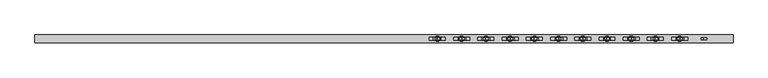
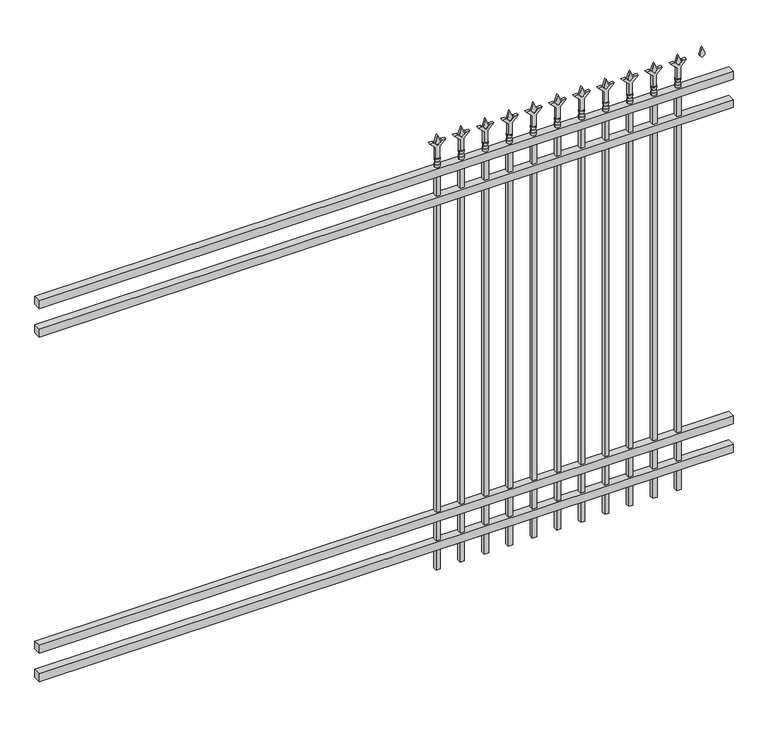
"""IFC4 building model written with IfcOpenShell, lengths in millimetres: railing geometry."""

from ifc_helpers import new_model, si_unit, frame, origin, place, context, project, spatial, polyline, circle_curve, outline, extrude, source, transform, mapped, element, save
from ifc_brep_helpers import plane_surface, cylinder_surface, revolved_surface, advanced_brep


def railing_290e156d(model_context):
    return source(origin(), model_context, "Body", "SolidModel", [
        extrude(outline(polyline([(-61345.318087, -6748.7195174), (-61345.318087, -6713.7945174), (-58195.718087, -6713.7945174), (-58195.718087, -6748.7195174), (-61345.318087, -6748.7195174)])), frame((0.0, 0.0, 1943.1), z_axis=(0.0, 0.0, 1.0), x_axis=(1.0, 0.0, 0.0)), (0.0, 0.0, 1.0), 38.1),
        extrude(outline(polyline([(-61345.318087, -6748.7195174), (-61345.318087, -6713.7945174), (-58195.718087, -6713.7945174), (-58195.718087, -6748.7195174), (-61345.318087, -6748.7195174)])), frame((0.0, 0.0, 1806.575), z_axis=(0.0, 0.0, 1.0), x_axis=(1.0, 0.0, 0.0)), (0.0, 0.0, 1.0), 38.1),
        extrude(outline(polyline([(-61345.318087, -6748.7195174), (-61345.318087, -6713.7945174), (-58195.718087, -6713.7945174), (-58195.718087, -6748.7195174), (-61345.318087, -6748.7195174)])), frame((0.0, 0.0, 288.925), z_axis=(0.0, 0.0, 1.0), x_axis=(1.0, 0.0, 0.0)), (0.0, 0.0, 1.0), 38.1),
        extrude(outline(polyline([(-61345.318087, -6748.7195174), (-61345.318087, -6713.7945174), (-58195.718087, -6713.7945174), (-58195.718087, -6748.7195174), (-61345.318087, -6748.7195174)])), frame((0.0, 0.0, 152.4), z_axis=(0.0, 0.0, 1.0), x_axis=(1.0, 0.0, 0.0)), (0.0, 0.0, 1.0), 38.1),
        extrude(outline(polyline([(2097.88125, -58424.8472536), (2133.6, -58436.7535036), (2097.88125, -58448.6597536), (2085.975, -58436.7535036), (2097.88125, -58424.8472536)])), frame((0.0, -6736.0195174, 0.0), z_axis=(0.0, 1.0, 0.0), x_axis=(0.0, 0.0, 1.0)), (0.0, 0.0, 1.0), 9.525),
        extrude(outline(polyline([(2022.475, -58428.0222536), (2076.7457378, -58428.0222536), (2103.9355122, -58400.8324791), (2103.9355122, -58418.7929914), (2085.975, -58436.7535036), (2103.9355122, -58454.7140159), (2103.9355122, -58472.6745281), (2076.7457378, -58445.4847536), (2022.475, -58445.4847536), (2022.475, -58428.0222536)])), frame((0.0, -6737.6070174, 0.0), z_axis=(0.0, 1.0, 0.0), x_axis=(0.0, 0.0, 1.0)), (0.0, 0.0, 1.0), 12.7),
        advanced_brep(
        [(-58424.8472536, -6731.2570174, 1993.9), (-58448.6597536, -6731.2570174, 1993.9), (-58448.6597536, -6731.2570174, 1981.2), (-58424.8472536, -6731.2570174, 1981.2), (-58427.0525855, -6731.2570174, 2006.4070585), (-58446.4544218, -6731.2570174, 2006.4070585), (-58424.8472536, -6731.2570174, 2022.475), (-58448.6597536, -6731.2570174, 2022.475), (-58436.7535036, -6731.2570174, 2022.475), (-58436.7535036, -6731.2570174, 1981.2)],
        [
            (0, 1, circle_curve(frame((-58436.7535036, -6731.2570174, 1993.9), z_axis=(0.0, 0.0, -1.0), x_axis=(-1.0, 0.0, 0.0)), 11.90625)),
            (1, 2),
            (2, 3, circle_curve(frame((-58436.7535036, -6731.2570174, 1981.2), z_axis=(0.0, 0.0, 1.0), x_axis=(-1.0, 0.0, 0.0)), 11.90625)),
            (3, 0),
            (1, 0, circle_curve(frame((-58436.7535036, -6731.2570174, 1993.9), z_axis=(0.0, 0.0, -1.0), x_axis=(-1.0, 0.0, 0.0)), 11.90625)),
            (3, 2, circle_curve(frame((-58436.7535036, -6731.2570174, 1981.2), z_axis=(0.0, 0.0, 1.0), x_axis=(-1.0, 0.0, 0.0)), 11.90625)),
            (4, 5, circle_curve(frame((-58436.7535036, -6731.2570174, 2006.4070585), z_axis=(0.0, 0.0, -1.0), x_axis=(-1.0, 0.0, 0.0)), 9.7009181)),
            (5, 1),
            (0, 4),
            (5, 4, circle_curve(frame((-58436.7535036, -6731.2570174, 2006.4070585), z_axis=(0.0, 0.0, -1.0), x_axis=(-1.0, 0.0, 0.0)), 9.7009181)),
            (6, 7, circle_curve(frame((-58436.7535036, -6731.2570174, 2022.475), z_axis=(0.0, 0.0, -1.0), x_axis=(-1.0, 0.0, 0.0)), 11.90625)),
            (7, 5),
            (4, 6),
            (7, 6, circle_curve(frame((-58436.7535036, -6731.2570174, 2022.475), z_axis=(0.0, 0.0, -1.0), x_axis=(-1.0, 0.0, 0.0)), 11.90625)),
            (8, 7),
            (6, 8),
            (2, 9),
            (9, 3),
        ],
        [
            cylinder_surface(frame((-58436.7535036, -6731.2570174, 1981.2), z_axis=(0.0, 0.0, 1.0), x_axis=(-1.0, 0.0, 0.0)), 11.90625),
            revolved_surface(polyline([(-58448.6597536, -6731.2570174, 1993.9), (-58446.4544218, -6731.2570174, 2006.4070585)]), (-58436.7535036, -6731.2570174, 1981.2), (0.0, 0.0, 1.0)),
            revolved_surface(polyline([(-58446.4544218, -6731.2570174, 2006.4070585), (-58448.6597536, -6731.2570174, 2022.475)]), (-58436.7535036, -6731.2570174, 1981.2), (0.0, 0.0, 1.0)),
            plane_surface(frame((-58436.7535036, -6731.2570174, 2022.475), z_axis=(0.0, 0.0, 1.0), x_axis=(-1.0, 0.0, 0.0))),
            plane_surface(frame((-58436.7535036, -6731.2570174, 1981.2), z_axis=(0.0, 0.0, -1.0), x_axis=(-1.0, 0.0, 0.0))),
        ],
        [
            (0, [[1, 2, 3, 4]]),
            (0, [[5, -4, 6, -2]]),
            (1, [[7, 8, -1, 9]]),
            (1, [[10, -9, -5, -8]]),
            (2, [[11, 12, -7, 13]]),
            (2, [[14, -13, -10, -12]]),
            (3, [[15, -11, 16]]),
            (3, [[-16, -14, -15]]),
            (4, [[-3, 17, 18]]),
            (4, [[-6, -18, -17]]),
        ],
    ),
        extrude(outline(polyline([(-58446.2785036, -6721.7320174), (-58427.2285036, -6721.7320174), (-58427.2285036, -6740.7820174), (-58446.2785036, -6740.7820174), (-58446.2785036, -6721.7320174)])), frame((0.0, 0.0, 50.8), z_axis=(0.0, 0.0, 1.0), x_axis=(1.0, 0.0, 0.0)), (0.0, 0.0, 1.0), 1930.4),
        extrude(outline(polyline([(2097.88125, -58534.1201703), (2133.6, -58546.0264203), (2097.88125, -58557.9326703), (2085.975, -58546.0264203), (2097.88125, -58534.1201703)])), frame((0.0, -6736.0195174, 0.0), z_axis=(0.0, 1.0, 0.0), x_axis=(0.0, 0.0, 1.0)), (0.0, 0.0, 1.0), 9.525),
        extrude(outline(polyline([(2022.475, -58537.2951703), (2076.7457378, -58537.2951703), (2103.9355122, -58510.1053958), (2103.9355122, -58528.0659081), (2085.975, -58546.0264203), (2103.9355122, -58563.9869325), (2103.9355122, -58581.9474448), (2076.7457378, -58554.7576703), (2022.475, -58554.7576703), (2022.475, -58537.2951703)])), frame((0.0, -6737.6070174, 0.0), z_axis=(0.0, 1.0, 0.0), x_axis=(0.0, 0.0, 1.0)), (0.0, 0.0, 1.0), 12.7),
        advanced_brep(
        [(-58534.1201703, -6731.2570174, 1993.9), (-58557.9326703, -6731.2570174, 1993.9), (-58557.9326703, -6731.2570174, 1981.2), (-58534.1201703, -6731.2570174, 1981.2), (-58536.3255022, -6731.2570174, 2006.4070585), (-58555.7273384, -6731.2570174, 2006.4070585), (-58534.1201703, -6731.2570174, 2022.475), (-58557.9326703, -6731.2570174, 2022.475), (-58546.0264203, -6731.2570174, 2022.475), (-58546.0264203, -6731.2570174, 1981.2)],
        [
            (0, 1, circle_curve(frame((-58546.0264203, -6731.2570174, 1993.9), z_axis=(0.0, 0.0, -1.0), x_axis=(-1.0, 0.0, 0.0)), 11.90625)),
            (1, 2),
            (2, 3, circle_curve(frame((-58546.0264203, -6731.2570174, 1981.2), z_axis=(0.0, 0.0, 1.0), x_axis=(-1.0, 0.0, 0.0)), 11.90625)),
            (3, 0),
            (1, 0, circle_curve(frame((-58546.0264203, -6731.2570174, 1993.9), z_axis=(0.0, 0.0, -1.0), x_axis=(-1.0, 0.0, 0.0)), 11.90625)),
            (3, 2, circle_curve(frame((-58546.0264203, -6731.2570174, 1981.2), z_axis=(0.0, 0.0, 1.0), x_axis=(-1.0, 0.0, 0.0)), 11.90625)),
            (4, 5, circle_curve(frame((-58546.0264203, -6731.2570174, 2006.4070585), z_axis=(0.0, 0.0, -1.0), x_axis=(-1.0, 0.0, 0.0)), 9.7009181)),
            (5, 1),
            (0, 4),
            (5, 4, circle_curve(frame((-58546.0264203, -6731.2570174, 2006.4070585), z_axis=(0.0, 0.0, -1.0), x_axis=(-1.0, 0.0, 0.0)), 9.7009181)),
            (6, 7, circle_curve(frame((-58546.0264203, -6731.2570174, 2022.475), z_axis=(0.0, 0.0, -1.0), x_axis=(-1.0, 0.0, 0.0)), 11.90625)),
            (7, 5),
            (4, 6),
            (7, 6, circle_curve(frame((-58546.0264203, -6731.2570174, 2022.475), z_axis=(0.0, 0.0, -1.0), x_axis=(-1.0, 0.0, 0.0)), 11.90625)),
            (8, 7),
            (6, 8),
            (2, 9),
            (9, 3),
        ],
        [
            cylinder_surface(frame((-58546.0264203, -6731.2570174, 1981.2), z_axis=(0.0, 0.0, 1.0), x_axis=(-1.0, 0.0, 0.0)), 11.90625),
            revolved_surface(polyline([(-58557.9326703, -6731.2570174, 1993.9), (-58555.7273384, -6731.2570174, 2006.4070585)]), (-58546.0264203, -6731.2570174, 1981.2), (0.0, 0.0, 1.0)),
            revolved_surface(polyline([(-58555.7273384, -6731.2570174, 2006.4070585), (-58557.9326703, -6731.2570174, 2022.475)]), (-58546.0264203, -6731.2570174, 1981.2), (0.0, 0.0, 1.0)),
            plane_surface(frame((-58546.0264203, -6731.2570174, 2022.475), z_axis=(0.0, 0.0, 1.0), x_axis=(-1.0, 0.0, 0.0))),
            plane_surface(frame((-58546.0264203, -6731.2570174, 1981.2), z_axis=(0.0, 0.0, -1.0), x_axis=(-1.0, 0.0, 0.0))),
        ],
        [
            (0, [[1, 2, 3, 4]]),
            (0, [[5, -4, 6, -2]]),
            (1, [[7, 8, -1, 9]]),
            (1, [[10, -9, -5, -8]]),
            (2, [[11, 12, -7, 13]]),
            (2, [[14, -13, -10, -12]]),
            (3, [[15, -11, 16]]),
            (3, [[-16, -14, -15]]),
            (4, [[-3, 17, 18]]),
            (4, [[-6, -18, -17]]),
        ],
    ),
        extrude(outline(polyline([(-58555.5514203, -6721.7320174), (-58536.5014203, -6721.7320174), (-58536.5014203, -6740.7820174), (-58555.5514203, -6740.7820174), (-58555.5514203, -6721.7320174)])), frame((0.0, 0.0, 50.8), z_axis=(0.0, 0.0, 1.0), x_axis=(1.0, 0.0, 0.0)), (0.0, 0.0, 1.0), 1930.4),
        extrude(outline(polyline([(2097.88125, -58643.393087), (2133.6, -58655.299337), (2097.88125, -58667.205587), (2085.975, -58655.299337), (2097.88125, -58643.393087)])), frame((0.0, -6736.0195174, 0.0), z_axis=(0.0, 1.0, 0.0), x_axis=(0.0, 0.0, 1.0)), (0.0, 0.0, 1.0), 9.525),
        extrude(outline(polyline([(2022.475, -58646.568087), (2076.7457378, -58646.568087), (2103.9355122, -58619.3783125), (2103.9355122, -58637.3388247), (2085.975, -58655.299337), (2103.9355122, -58673.2598492), (2103.9355122, -58691.2203614), (2076.7457378, -58664.030587), (2022.475, -58664.030587), (2022.475, -58646.568087)])), frame((0.0, -6737.6070174, 0.0), z_axis=(0.0, 1.0, 0.0), x_axis=(0.0, 0.0, 1.0)), (0.0, 0.0, 1.0), 12.7),
        advanced_brep(
        [(-58643.393087, -6731.2570174, 1993.9), (-58667.205587, -6731.2570174, 1993.9), (-58667.205587, -6731.2570174, 1981.2), (-58643.393087, -6731.2570174, 1981.2), (-58645.5984188, -6731.2570174, 2006.4070585), (-58665.0002551, -6731.2570174, 2006.4070585), (-58643.393087, -6731.2570174, 2022.475), (-58667.205587, -6731.2570174, 2022.475), (-58655.299337, -6731.2570174, 2022.475), (-58655.299337, -6731.2570174, 1981.2)],
        [
            (0, 1, circle_curve(frame((-58655.299337, -6731.2570174, 1993.9), z_axis=(0.0, 0.0, -1.0), x_axis=(-1.0, 0.0, 0.0)), 11.90625)),
            (1, 2),
            (2, 3, circle_curve(frame((-58655.299337, -6731.2570174, 1981.2), z_axis=(0.0, 0.0, 1.0), x_axis=(-1.0, 0.0, 0.0)), 11.90625)),
            (3, 0),
            (1, 0, circle_curve(frame((-58655.299337, -6731.2570174, 1993.9), z_axis=(0.0, 0.0, -1.0), x_axis=(-1.0, 0.0, 0.0)), 11.90625)),
            (3, 2, circle_curve(frame((-58655.299337, -6731.2570174, 1981.2), z_axis=(0.0, 0.0, 1.0), x_axis=(-1.0, 0.0, 0.0)), 11.90625)),
            (4, 5, circle_curve(frame((-58655.299337, -6731.2570174, 2006.4070585), z_axis=(0.0, 0.0, -1.0), x_axis=(-1.0, 0.0, 0.0)), 9.7009181)),
            (5, 1),
            (0, 4),
            (5, 4, circle_curve(frame((-58655.299337, -6731.2570174, 2006.4070585), z_axis=(0.0, 0.0, -1.0), x_axis=(-1.0, 0.0, 0.0)), 9.7009181)),
            (6, 7, circle_curve(frame((-58655.299337, -6731.2570174, 2022.475), z_axis=(0.0, 0.0, -1.0), x_axis=(-1.0, 0.0, 0.0)), 11.90625)),
            (7, 5),
            (4, 6),
            (7, 6, circle_curve(frame((-58655.299337, -6731.2570174, 2022.475), z_axis=(0.0, 0.0, -1.0), x_axis=(-1.0, 0.0, 0.0)), 11.90625)),
            (8, 7),
            (6, 8),
            (2, 9),
            (9, 3),
        ],
        [
            cylinder_surface(frame((-58655.299337, -6731.2570174, 1981.2), z_axis=(0.0, 0.0, 1.0), x_axis=(-1.0, 0.0, 0.0)), 11.90625),
            revolved_surface(polyline([(-58667.205587, -6731.2570174, 1993.9), (-58665.0002551, -6731.2570174, 2006.4070585)]), (-58655.299337, -6731.2570174, 1981.2), (0.0, 0.0, 1.0)),
            revolved_surface(polyline([(-58665.0002551, -6731.2570174, 2006.4070585), (-58667.205587, -6731.2570174, 2022.475)]), (-58655.299337, -6731.2570174, 1981.2), (0.0, 0.0, 1.0)),
            plane_surface(frame((-58655.299337, -6731.2570174, 2022.475), z_axis=(0.0, 0.0, 1.0), x_axis=(-1.0, 0.0, 0.0))),
            plane_surface(frame((-58655.299337, -6731.2570174, 1981.2), z_axis=(0.0, 0.0, -1.0), x_axis=(-1.0, 0.0, 0.0))),
        ],
        [
            (0, [[1, 2, 3, 4]]),
            (0, [[5, -4, 6, -2]]),
            (1, [[7, 8, -1, 9]]),
            (1, [[10, -9, -5, -8]]),
            (2, [[11, 12, -7, 13]]),
            (2, [[14, -13, -10, -12]]),
            (3, [[15, -11, 16]]),
            (3, [[-16, -14, -15]]),
            (4, [[-3, 17, 18]]),
            (4, [[-6, -18, -17]]),
        ],
    ),
        extrude(outline(polyline([(-58664.824337, -6721.7320174), (-58645.774337, -6721.7320174), (-58645.774337, -6740.7820174), (-58664.824337, -6740.7820174), (-58664.824337, -6721.7320174)])), frame((0.0, 0.0, 50.8), z_axis=(0.0, 0.0, 1.0), x_axis=(1.0, 0.0, 0.0)), (0.0, 0.0, 1.0), 1930.4),
        extrude(outline(polyline([(2097.88125, -58752.6660036), (2133.6, -58764.5722536), (2097.88125, -58776.4785036), (2085.975, -58764.5722536), (2097.88125, -58752.6660036)])), frame((0.0, -6736.0195174, 0.0), z_axis=(0.0, 1.0, 0.0), x_axis=(0.0, 0.0, 1.0)), (0.0, 0.0, 1.0), 9.525),
        extrude(outline(polyline([(2022.475, -58755.8410036), (2076.7457378, -58755.8410036), (2103.9355122, -58728.6512291), (2103.9355122, -58746.6117414), (2085.975, -58764.5722536), (2103.9355122, -58782.5327659), (2103.9355122, -58800.4932781), (2076.7457378, -58773.3035036), (2022.475, -58773.3035036), (2022.475, -58755.8410036)])), frame((0.0, -6737.6070174, 0.0), z_axis=(0.0, 1.0, 0.0), x_axis=(0.0, 0.0, 1.0)), (0.0, 0.0, 1.0), 12.7),
        advanced_brep(
        [(-58752.6660036, -6731.2570174, 1993.9), (-58776.4785036, -6731.2570174, 1993.9), (-58776.4785036, -6731.2570174, 1981.2), (-58752.6660036, -6731.2570174, 1981.2), (-58754.8713355, -6731.2570174, 2006.4070585), (-58774.2731718, -6731.2570174, 2006.4070585), (-58752.6660036, -6731.2570174, 2022.475), (-58776.4785036, -6731.2570174, 2022.475), (-58764.5722536, -6731.2570174, 2022.475), (-58764.5722536, -6731.2570174, 1981.2)],
        [
            (0, 1, circle_curve(frame((-58764.5722536, -6731.2570174, 1993.9), z_axis=(0.0, 0.0, -1.0), x_axis=(-1.0, 0.0, 0.0)), 11.90625)),
            (1, 2),
            (2, 3, circle_curve(frame((-58764.5722536, -6731.2570174, 1981.2), z_axis=(0.0, 0.0, 1.0), x_axis=(-1.0, 0.0, 0.0)), 11.90625)),
            (3, 0),
            (1, 0, circle_curve(frame((-58764.5722536, -6731.2570174, 1993.9), z_axis=(0.0, 0.0, -1.0), x_axis=(-1.0, 0.0, 0.0)), 11.90625)),
            (3, 2, circle_curve(frame((-58764.5722536, -6731.2570174, 1981.2), z_axis=(0.0, 0.0, 1.0), x_axis=(-1.0, 0.0, 0.0)), 11.90625)),
            (4, 5, circle_curve(frame((-58764.5722536, -6731.2570174, 2006.4070585), z_axis=(0.0, 0.0, -1.0), x_axis=(-1.0, 0.0, 0.0)), 9.7009181)),
            (5, 1),
            (0, 4),
            (5, 4, circle_curve(frame((-58764.5722536, -6731.2570174, 2006.4070585), z_axis=(0.0, 0.0, -1.0), x_axis=(-1.0, 0.0, 0.0)), 9.7009181)),
            (6, 7, circle_curve(frame((-58764.5722536, -6731.2570174, 2022.475), z_axis=(0.0, 0.0, -1.0), x_axis=(-1.0, 0.0, 0.0)), 11.90625)),
            (7, 5),
            (4, 6),
            (7, 6, circle_curve(frame((-58764.5722536, -6731.2570174, 2022.475), z_axis=(0.0, 0.0, -1.0), x_axis=(-1.0, 0.0, 0.0)), 11.90625)),
            (8, 7),
            (6, 8),
            (2, 9),
            (9, 3),
        ],
        [
            cylinder_surface(frame((-58764.5722536, -6731.2570174, 1981.2), z_axis=(0.0, 0.0, 1.0), x_axis=(-1.0, 0.0, 0.0)), 11.90625),
            revolved_surface(polyline([(-58776.4785036, -6731.2570174, 1993.9), (-58774.2731718, -6731.2570174, 2006.4070585)]), (-58764.5722536, -6731.2570174, 1981.2), (0.0, 0.0, 1.0)),
            revolved_surface(polyline([(-58774.2731718, -6731.2570174, 2006.4070585), (-58776.4785036, -6731.2570174, 2022.475)]), (-58764.5722536, -6731.2570174, 1981.2), (0.0, 0.0, 1.0)),
            plane_surface(frame((-58764.5722536, -6731.2570174, 2022.475), z_axis=(0.0, 0.0, 1.0), x_axis=(-1.0, 0.0, 0.0))),
            plane_surface(frame((-58764.5722536, -6731.2570174, 1981.2), z_axis=(0.0, 0.0, -1.0), x_axis=(-1.0, 0.0, 0.0))),
        ],
        [
            (0, [[1, 2, 3, 4]]),
            (0, [[5, -4, 6, -2]]),
            (1, [[7, 8, -1, 9]]),
            (1, [[10, -9, -5, -8]]),
            (2, [[11, 12, -7, 13]]),
            (2, [[14, -13, -10, -12]]),
            (3, [[15, -11, 16]]),
            (3, [[-16, -14, -15]]),
            (4, [[-3, 17, 18]]),
            (4, [[-6, -18, -17]]),
        ],
    ),
        extrude(outline(polyline([(-58774.0972536, -6721.7320174), (-58755.0472536, -6721.7320174), (-58755.0472536, -6740.7820174), (-58774.0972536, -6740.7820174), (-58774.0972536, -6721.7320174)])), frame((0.0, 0.0, 50.8), z_axis=(0.0, 0.0, 1.0), x_axis=(1.0, 0.0, 0.0)), (0.0, 0.0, 1.0), 1930.4),
        extrude(outline(polyline([(2097.88125, -58861.9389203), (2133.6, -58873.8451703), (2097.88125, -58885.7514203), (2085.975, -58873.8451703), (2097.88125, -58861.9389203)])), frame((0.0, -6736.0195174, 0.0), z_axis=(0.0, 1.0, 0.0), x_axis=(0.0, 0.0, 1.0)), (0.0, 0.0, 1.0), 9.525),
        extrude(outline(polyline([(2022.475, -58865.1139203), (2076.7457378, -58865.1139203), (2103.9355122, -58837.9241458), (2103.9355122, -58855.8846581), (2085.975, -58873.8451703), (2103.9355122, -58891.8056825), (2103.9355122, -58909.7661948), (2076.7457378, -58882.5764203), (2022.475, -58882.5764203), (2022.475, -58865.1139203)])), frame((0.0, -6737.6070174, 0.0), z_axis=(0.0, 1.0, 0.0), x_axis=(0.0, 0.0, 1.0)), (0.0, 0.0, 1.0), 12.7),
        advanced_brep(
        [(-58861.9389203, -6731.2570174, 1993.9), (-58885.7514203, -6731.2570174, 1993.9), (-58885.7514203, -6731.2570174, 1981.2), (-58861.9389203, -6731.2570174, 1981.2), (-58864.1442522, -6731.2570174, 2006.4070585), (-58883.5460884, -6731.2570174, 2006.4070585), (-58861.9389203, -6731.2570174, 2022.475), (-58885.7514203, -6731.2570174, 2022.475), (-58873.8451703, -6731.2570174, 2022.475), (-58873.8451703, -6731.2570174, 1981.2)],
        [
            (0, 1, circle_curve(frame((-58873.8451703, -6731.2570174, 1993.9), z_axis=(0.0, 0.0, -1.0), x_axis=(-1.0, 0.0, 0.0)), 11.90625)),
            (1, 2),
            (2, 3, circle_curve(frame((-58873.8451703, -6731.2570174, 1981.2), z_axis=(0.0, 0.0, 1.0), x_axis=(-1.0, 0.0, 0.0)), 11.90625)),
            (3, 0),
            (1, 0, circle_curve(frame((-58873.8451703, -6731.2570174, 1993.9), z_axis=(0.0, 0.0, -1.0), x_axis=(-1.0, 0.0, 0.0)), 11.90625)),
            (3, 2, circle_curve(frame((-58873.8451703, -6731.2570174, 1981.2), z_axis=(0.0, 0.0, 1.0), x_axis=(-1.0, 0.0, 0.0)), 11.90625)),
            (4, 5, circle_curve(frame((-58873.8451703, -6731.2570174, 2006.4070585), z_axis=(0.0, 0.0, -1.0), x_axis=(-1.0, 0.0, 0.0)), 9.7009181)),
            (5, 1),
            (0, 4),
            (5, 4, circle_curve(frame((-58873.8451703, -6731.2570174, 2006.4070585), z_axis=(0.0, 0.0, -1.0), x_axis=(-1.0, 0.0, 0.0)), 9.7009181)),
            (6, 7, circle_curve(frame((-58873.8451703, -6731.2570174, 2022.475), z_axis=(0.0, 0.0, -1.0), x_axis=(-1.0, 0.0, 0.0)), 11.90625)),
            (7, 5),
            (4, 6),
            (7, 6, circle_curve(frame((-58873.8451703, -6731.2570174, 2022.475), z_axis=(0.0, 0.0, -1.0), x_axis=(-1.0, 0.0, 0.0)), 11.90625)),
            (8, 7),
            (6, 8),
            (2, 9),
            (9, 3),
        ],
        [
            cylinder_surface(frame((-58873.8451703, -6731.2570174, 1981.2), z_axis=(0.0, 0.0, 1.0), x_axis=(-1.0, 0.0, 0.0)), 11.90625),
            revolved_surface(polyline([(-58885.7514203, -6731.2570174, 1993.9), (-58883.5460884, -6731.2570174, 2006.4070585)]), (-58873.8451703, -6731.2570174, 1981.2), (0.0, 0.0, 1.0)),
            revolved_surface(polyline([(-58883.5460884, -6731.2570174, 2006.4070585), (-58885.7514203, -6731.2570174, 2022.475)]), (-58873.8451703, -6731.2570174, 1981.2), (0.0, 0.0, 1.0)),
            plane_surface(frame((-58873.8451703, -6731.2570174, 2022.475), z_axis=(0.0, 0.0, 1.0), x_axis=(-1.0, 0.0, 0.0))),
            plane_surface(frame((-58873.8451703, -6731.2570174, 1981.2), z_axis=(0.0, 0.0, -1.0), x_axis=(-1.0, 0.0, 0.0))),
        ],
        [
            (0, [[1, 2, 3, 4]]),
            (0, [[5, -4, 6, -2]]),
            (1, [[7, 8, -1, 9]]),
            (1, [[10, -9, -5, -8]]),
            (2, [[11, 12, -7, 13]]),
            (2, [[14, -13, -10, -12]]),
            (3, [[15, -11, 16]]),
            (3, [[-16, -14, -15]]),
            (4, [[-3, 17, 18]]),
            (4, [[-6, -18, -17]]),
        ],
    ),
        extrude(outline(polyline([(-58883.3701703, -6721.7320174), (-58864.3201703, -6721.7320174), (-58864.3201703, -6740.7820174), (-58883.3701703, -6740.7820174), (-58883.3701703, -6721.7320174)])), frame((0.0, 0.0, 50.8), z_axis=(0.0, 0.0, 1.0), x_axis=(1.0, 0.0, 0.0)), (0.0, 0.0, 1.0), 1930.4),
        extrude(outline(polyline([(2097.88125, -58971.211837), (2133.6, -58983.118087), (2097.88125, -58995.024337), (2085.975, -58983.118087), (2097.88125, -58971.211837)])), frame((0.0, -6736.0195174, 0.0), z_axis=(0.0, 1.0, 0.0), x_axis=(0.0, 0.0, 1.0)), (0.0, 0.0, 1.0), 9.525),
        extrude(outline(polyline([(2022.475, -58974.386837), (2076.7457378, -58974.386837), (2103.9355122, -58947.1970625), (2103.9355122, -58965.1575747), (2085.975, -58983.118087), (2103.9355122, -59001.0785992), (2103.9355122, -59019.0391114), (2076.7457378, -58991.849337), (2022.475, -58991.849337), (2022.475, -58974.386837)])), frame((0.0, -6737.6070174, 0.0), z_axis=(0.0, 1.0, 0.0), x_axis=(0.0, 0.0, 1.0)), (0.0, 0.0, 1.0), 12.7),
        advanced_brep(
        [(-58971.211837, -6731.2570174, 1993.9), (-58995.024337, -6731.2570174, 1993.9), (-58995.024337, -6731.2570174, 1981.2), (-58971.211837, -6731.2570174, 1981.2), (-58973.4171688, -6731.2570174, 2006.4070585), (-58992.8190051, -6731.2570174, 2006.4070585), (-58971.211837, -6731.2570174, 2022.475), (-58995.024337, -6731.2570174, 2022.475), (-58983.118087, -6731.2570174, 2022.475), (-58983.118087, -6731.2570174, 1981.2)],
        [
            (0, 1, circle_curve(frame((-58983.118087, -6731.2570174, 1993.9), z_axis=(0.0, 0.0, -1.0), x_axis=(-1.0, 0.0, 0.0)), 11.90625)),
            (1, 2),
            (2, 3, circle_curve(frame((-58983.118087, -6731.2570174, 1981.2), z_axis=(0.0, 0.0, 1.0), x_axis=(-1.0, 0.0, 0.0)), 11.90625)),
            (3, 0),
            (1, 0, circle_curve(frame((-58983.118087, -6731.2570174, 1993.9), z_axis=(0.0, 0.0, -1.0), x_axis=(-1.0, 0.0, 0.0)), 11.90625)),
            (3, 2, circle_curve(frame((-58983.118087, -6731.2570174, 1981.2), z_axis=(0.0, 0.0, 1.0), x_axis=(-1.0, 0.0, 0.0)), 11.90625)),
            (4, 5, circle_curve(frame((-58983.118087, -6731.2570174, 2006.4070585), z_axis=(0.0, 0.0, -1.0), x_axis=(-1.0, 0.0, 0.0)), 9.7009181)),
            (5, 1),
            (0, 4),
            (5, 4, circle_curve(frame((-58983.118087, -6731.2570174, 2006.4070585), z_axis=(0.0, 0.0, -1.0), x_axis=(-1.0, 0.0, 0.0)), 9.7009181)),
            (6, 7, circle_curve(frame((-58983.118087, -6731.2570174, 2022.475), z_axis=(0.0, 0.0, -1.0), x_axis=(-1.0, 0.0, 0.0)), 11.90625)),
            (7, 5),
            (4, 6),
            (7, 6, circle_curve(frame((-58983.118087, -6731.2570174, 2022.475), z_axis=(0.0, 0.0, -1.0), x_axis=(-1.0, 0.0, 0.0)), 11.90625)),
            (8, 7),
            (6, 8),
            (2, 9),
            (9, 3),
        ],
        [
            cylinder_surface(frame((-58983.118087, -6731.2570174, 1981.2), z_axis=(0.0, 0.0, 1.0), x_axis=(-1.0, 0.0, 0.0)), 11.90625),
            revolved_surface(polyline([(-58995.024337, -6731.2570174, 1993.9), (-58992.8190051, -6731.2570174, 2006.4070585)]), (-58983.118087, -6731.2570174, 1981.2), (0.0, 0.0, 1.0)),
            revolved_surface(polyline([(-58992.8190051, -6731.2570174, 2006.4070585), (-58995.024337, -6731.2570174, 2022.475)]), (-58983.118087, -6731.2570174, 1981.2), (0.0, 0.0, 1.0)),
            plane_surface(frame((-58983.118087, -6731.2570174, 2022.475), z_axis=(0.0, 0.0, 1.0), x_axis=(-1.0, 0.0, 0.0))),
            plane_surface(frame((-58983.118087, -6731.2570174, 1981.2), z_axis=(0.0, 0.0, -1.0), x_axis=(-1.0, 0.0, 0.0))),
        ],
        [
            (0, [[1, 2, 3, 4]]),
            (0, [[5, -4, 6, -2]]),
            (1, [[7, 8, -1, 9]]),
            (1, [[10, -9, -5, -8]]),
            (2, [[11, 12, -7, 13]]),
            (2, [[14, -13, -10, -12]]),
            (3, [[15, -11, 16]]),
            (3, [[-16, -14, -15]]),
            (4, [[-3, 17, 18]]),
            (4, [[-6, -18, -17]]),
        ],
    ),
        extrude(outline(polyline([(-58992.643087, -6721.7320174), (-58973.593087, -6721.7320174), (-58973.593087, -6740.7820174), (-58992.643087, -6740.7820174), (-58992.643087, -6721.7320174)])), frame((0.0, 0.0, 50.8), z_axis=(0.0, 0.0, 1.0), x_axis=(1.0, 0.0, 0.0)), (0.0, 0.0, 1.0), 1930.4),
        extrude(outline(polyline([(2097.88125, -59080.4847536), (2133.6, -59092.3910036), (2097.88125, -59104.2972536), (2085.975, -59092.3910036), (2097.88125, -59080.4847536)])), frame((0.0, -6736.0195174, 0.0), z_axis=(0.0, 1.0, 0.0), x_axis=(0.0, 0.0, 1.0)), (0.0, 0.0, 1.0), 9.525),
        extrude(outline(polyline([(2022.475, -59083.6597536), (2076.7457378, -59083.6597536), (2103.9355122, -59056.4699791), (2103.9355122, -59074.4304914), (2085.975, -59092.3910036), (2103.9355122, -59110.3515159), (2103.9355122, -59128.3120281), (2076.7457378, -59101.1222536), (2022.475, -59101.1222536), (2022.475, -59083.6597536)])), frame((0.0, -6737.6070174, 0.0), z_axis=(0.0, 1.0, 0.0), x_axis=(0.0, 0.0, 1.0)), (0.0, 0.0, 1.0), 12.7),
        advanced_brep(
        [(-59080.4847536, -6731.2570174, 1993.9), (-59104.2972536, -6731.2570174, 1993.9), (-59104.2972536, -6731.2570174, 1981.2), (-59080.4847536, -6731.2570174, 1981.2), (-59082.6900855, -6731.2570174, 2006.4070585), (-59102.0919218, -6731.2570174, 2006.4070585), (-59080.4847536, -6731.2570174, 2022.475), (-59104.2972536, -6731.2570174, 2022.475), (-59092.3910036, -6731.2570174, 2022.475), (-59092.3910036, -6731.2570174, 1981.2)],
        [
            (0, 1, circle_curve(frame((-59092.3910036, -6731.2570174, 1993.9), z_axis=(0.0, 0.0, -1.0), x_axis=(-1.0, 0.0, 0.0)), 11.90625)),
            (1, 2),
            (2, 3, circle_curve(frame((-59092.3910036, -6731.2570174, 1981.2), z_axis=(0.0, 0.0, 1.0), x_axis=(-1.0, 0.0, 0.0)), 11.90625)),
            (3, 0),
            (1, 0, circle_curve(frame((-59092.3910036, -6731.2570174, 1993.9), z_axis=(0.0, 0.0, -1.0), x_axis=(-1.0, 0.0, 0.0)), 11.90625)),
            (3, 2, circle_curve(frame((-59092.3910036, -6731.2570174, 1981.2), z_axis=(0.0, 0.0, 1.0), x_axis=(-1.0, 0.0, 0.0)), 11.90625)),
            (4, 5, circle_curve(frame((-59092.3910036, -6731.2570174, 2006.4070585), z_axis=(0.0, 0.0, -1.0), x_axis=(-1.0, 0.0, 0.0)), 9.7009181)),
            (5, 1),
            (0, 4),
            (5, 4, circle_curve(frame((-59092.3910036, -6731.2570174, 2006.4070585), z_axis=(0.0, 0.0, -1.0), x_axis=(-1.0, 0.0, 0.0)), 9.7009181)),
            (6, 7, circle_curve(frame((-59092.3910036, -6731.2570174, 2022.475), z_axis=(0.0, 0.0, -1.0), x_axis=(-1.0, 0.0, 0.0)), 11.90625)),
            (7, 5),
            (4, 6),
            (7, 6, circle_curve(frame((-59092.3910036, -6731.2570174, 2022.475), z_axis=(0.0, 0.0, -1.0), x_axis=(-1.0, 0.0, 0.0)), 11.90625)),
            (8, 7),
            (6, 8),
            (2, 9),
            (9, 3),
        ],
        [
            cylinder_surface(frame((-59092.3910036, -6731.2570174, 1981.2), z_axis=(0.0, 0.0, 1.0), x_axis=(-1.0, 0.0, 0.0)), 11.90625),
            revolved_surface(polyline([(-59104.2972536, -6731.2570174, 1993.9), (-59102.0919218, -6731.2570174, 2006.4070585)]), (-59092.3910036, -6731.2570174, 1981.2), (0.0, 0.0, 1.0)),
            revolved_surface(polyline([(-59102.0919218, -6731.2570174, 2006.4070585), (-59104.2972536, -6731.2570174, 2022.475)]), (-59092.3910036, -6731.2570174, 1981.2), (0.0, 0.0, 1.0)),
            plane_surface(frame((-59092.3910036, -6731.2570174, 2022.475), z_axis=(0.0, 0.0, 1.0), x_axis=(-1.0, 0.0, 0.0))),
            plane_surface(frame((-59092.3910036, -6731.2570174, 1981.2), z_axis=(0.0, 0.0, -1.0), x_axis=(-1.0, 0.0, 0.0))),
        ],
        [
            (0, [[1, 2, 3, 4]]),
            (0, [[5, -4, 6, -2]]),
            (1, [[7, 8, -1, 9]]),
            (1, [[10, -9, -5, -8]]),
            (2, [[11, 12, -7, 13]]),
            (2, [[14, -13, -10, -12]]),
            (3, [[15, -11, 16]]),
            (3, [[-16, -14, -15]]),
            (4, [[-3, 17, 18]]),
            (4, [[-6, -18, -17]]),
        ],
    ),
        extrude(outline(polyline([(-59101.9160036, -6721.7320174), (-59082.8660036, -6721.7320174), (-59082.8660036, -6740.7820174), (-59101.9160036, -6740.7820174), (-59101.9160036, -6721.7320174)])), frame((0.0, 0.0, 50.8), z_axis=(0.0, 0.0, 1.0), x_axis=(1.0, 0.0, 0.0)), (0.0, 0.0, 1.0), 1930.4),
        extrude(outline(polyline([(2097.88125, -59189.7576703), (2133.6, -59201.6639203), (2097.88125, -59213.5701703), (2085.975, -59201.6639203), (2097.88125, -59189.7576703)])), frame((0.0, -6736.0195174, 0.0), z_axis=(0.0, 1.0, 0.0), x_axis=(0.0, 0.0, 1.0)), (0.0, 0.0, 1.0), 9.525),
        extrude(outline(polyline([(2022.475, -59192.9326703), (2076.7457378, -59192.9326703), (2103.9355122, -59165.7428958), (2103.9355122, -59183.7034081), (2085.975, -59201.6639203), (2103.9355122, -59219.6244325), (2103.9355122, -59237.5849448), (2076.7457378, -59210.3951703), (2022.475, -59210.3951703), (2022.475, -59192.9326703)])), frame((0.0, -6737.6070174, 0.0), z_axis=(0.0, 1.0, 0.0), x_axis=(0.0, 0.0, 1.0)), (0.0, 0.0, 1.0), 12.7),
        advanced_brep(
        [(-59189.7576703, -6731.2570174, 1993.9), (-59213.5701703, -6731.2570174, 1993.9), (-59213.5701703, -6731.2570174, 1981.2), (-59189.7576703, -6731.2570174, 1981.2), (-59191.9630022, -6731.2570174, 2006.4070585), (-59211.3648384, -6731.2570174, 2006.4070585), (-59189.7576703, -6731.2570174, 2022.475), (-59213.5701703, -6731.2570174, 2022.475), (-59201.6639203, -6731.2570174, 2022.475), (-59201.6639203, -6731.2570174, 1981.2)],
        [
            (0, 1, circle_curve(frame((-59201.6639203, -6731.2570174, 1993.9), z_axis=(0.0, 0.0, -1.0), x_axis=(-1.0, 0.0, 0.0)), 11.90625)),
            (1, 2),
            (2, 3, circle_curve(frame((-59201.6639203, -6731.2570174, 1981.2), z_axis=(0.0, 0.0, 1.0), x_axis=(-1.0, 0.0, 0.0)), 11.90625)),
            (3, 0),
            (1, 0, circle_curve(frame((-59201.6639203, -6731.2570174, 1993.9), z_axis=(0.0, 0.0, -1.0), x_axis=(-1.0, 0.0, 0.0)), 11.90625)),
            (3, 2, circle_curve(frame((-59201.6639203, -6731.2570174, 1981.2), z_axis=(0.0, 0.0, 1.0), x_axis=(-1.0, 0.0, 0.0)), 11.90625)),
            (4, 5, circle_curve(frame((-59201.6639203, -6731.2570174, 2006.4070585), z_axis=(0.0, 0.0, -1.0), x_axis=(-1.0, 0.0, 0.0)), 9.7009181)),
            (5, 1),
            (0, 4),
            (5, 4, circle_curve(frame((-59201.6639203, -6731.2570174, 2006.4070585), z_axis=(0.0, 0.0, -1.0), x_axis=(-1.0, 0.0, 0.0)), 9.7009181)),
            (6, 7, circle_curve(frame((-59201.6639203, -6731.2570174, 2022.475), z_axis=(0.0, 0.0, -1.0), x_axis=(-1.0, 0.0, 0.0)), 11.90625)),
            (7, 5),
            (4, 6),
            (7, 6, circle_curve(frame((-59201.6639203, -6731.2570174, 2022.475), z_axis=(0.0, 0.0, -1.0), x_axis=(-1.0, 0.0, 0.0)), 11.90625)),
            (8, 7),
            (6, 8),
            (2, 9),
            (9, 3),
        ],
        [
            cylinder_surface(frame((-59201.6639203, -6731.2570174, 1981.2), z_axis=(0.0, 0.0, 1.0), x_axis=(-1.0, 0.0, 0.0)), 11.90625),
            revolved_surface(polyline([(-59213.5701703, -6731.2570174, 1993.9), (-59211.3648384, -6731.2570174, 2006.4070585)]), (-59201.6639203, -6731.2570174, 1981.2), (0.0, 0.0, 1.0)),
            revolved_surface(polyline([(-59211.3648384, -6731.2570174, 2006.4070585), (-59213.5701703, -6731.2570174, 2022.475)]), (-59201.6639203, -6731.2570174, 1981.2), (0.0, 0.0, 1.0)),
            plane_surface(frame((-59201.6639203, -6731.2570174, 2022.475), z_axis=(0.0, 0.0, 1.0), x_axis=(-1.0, 0.0, 0.0))),
            plane_surface(frame((-59201.6639203, -6731.2570174, 1981.2), z_axis=(0.0, 0.0, -1.0), x_axis=(-1.0, 0.0, 0.0))),
        ],
        [
            (0, [[1, 2, 3, 4]]),
            (0, [[5, -4, 6, -2]]),
            (1, [[7, 8, -1, 9]]),
            (1, [[10, -9, -5, -8]]),
            (2, [[11, 12, -7, 13]]),
            (2, [[14, -13, -10, -12]]),
            (3, [[15, -11, 16]]),
            (3, [[-16, -14, -15]]),
            (4, [[-3, 17, 18]]),
            (4, [[-6, -18, -17]]),
        ],
    ),
        extrude(outline(polyline([(-59211.1889203, -6721.7320174), (-59192.1389203, -6721.7320174), (-59192.1389203, -6740.7820174), (-59211.1889203, -6740.7820174), (-59211.1889203, -6721.7320174)])), frame((0.0, 0.0, 50.8), z_axis=(0.0, 0.0, 1.0), x_axis=(1.0, 0.0, 0.0)), (0.0, 0.0, 1.0), 1930.4),
        extrude(outline(polyline([(2097.88125, -59299.030587), (2133.6, -59310.936837), (2097.88125, -59322.843087), (2085.975, -59310.936837), (2097.88125, -59299.030587)])), frame((0.0, -6736.0195174, 0.0), z_axis=(0.0, 1.0, 0.0), x_axis=(0.0, 0.0, 1.0)), (0.0, 0.0, 1.0), 9.525),
        extrude(outline(polyline([(2022.475, -59302.205587), (2076.7457378, -59302.205587), (2103.9355122, -59275.0158125), (2103.9355122, -59292.9763247), (2085.975, -59310.936837), (2103.9355122, -59328.8973492), (2103.9355122, -59346.8578614), (2076.7457378, -59319.668087), (2022.475, -59319.668087), (2022.475, -59302.205587)])), frame((0.0, -6737.6070174, 0.0), z_axis=(0.0, 1.0, 0.0), x_axis=(0.0, 0.0, 1.0)), (0.0, 0.0, 1.0), 12.7),
        advanced_brep(
        [(-59299.030587, -6731.2570174, 1993.9), (-59322.843087, -6731.2570174, 1993.9), (-59322.843087, -6731.2570174, 1981.2), (-59299.030587, -6731.2570174, 1981.2), (-59301.2359188, -6731.2570174, 2006.4070585), (-59320.6377551, -6731.2570174, 2006.4070585), (-59299.030587, -6731.2570174, 2022.475), (-59322.843087, -6731.2570174, 2022.475), (-59310.936837, -6731.2570174, 2022.475), (-59310.936837, -6731.2570174, 1981.2)],
        [
            (0, 1, circle_curve(frame((-59310.936837, -6731.2570174, 1993.9), z_axis=(0.0, 0.0, -1.0), x_axis=(-1.0, 0.0, 0.0)), 11.90625)),
            (1, 2),
            (2, 3, circle_curve(frame((-59310.936837, -6731.2570174, 1981.2), z_axis=(0.0, 0.0, 1.0), x_axis=(-1.0, 0.0, 0.0)), 11.90625)),
            (3, 0),
            (1, 0, circle_curve(frame((-59310.936837, -6731.2570174, 1993.9), z_axis=(0.0, 0.0, -1.0), x_axis=(-1.0, 0.0, 0.0)), 11.90625)),
            (3, 2, circle_curve(frame((-59310.936837, -6731.2570174, 1981.2), z_axis=(0.0, 0.0, 1.0), x_axis=(-1.0, 0.0, 0.0)), 11.90625)),
            (4, 5, circle_curve(frame((-59310.936837, -6731.2570174, 2006.4070585), z_axis=(0.0, 0.0, -1.0), x_axis=(-1.0, 0.0, 0.0)), 9.7009181)),
            (5, 1),
            (0, 4),
            (5, 4, circle_curve(frame((-59310.936837, -6731.2570174, 2006.4070585), z_axis=(0.0, 0.0, -1.0), x_axis=(-1.0, 0.0, 0.0)), 9.7009181)),
            (6, 7, circle_curve(frame((-59310.936837, -6731.2570174, 2022.475), z_axis=(0.0, 0.0, -1.0), x_axis=(-1.0, 0.0, 0.0)), 11.90625)),
            (7, 5),
            (4, 6),
            (7, 6, circle_curve(frame((-59310.936837, -6731.2570174, 2022.475), z_axis=(0.0, 0.0, -1.0), x_axis=(-1.0, 0.0, 0.0)), 11.90625)),
            (8, 7),
            (6, 8),
            (2, 9),
            (9, 3),
        ],
        [
            cylinder_surface(frame((-59310.936837, -6731.2570174, 1981.2), z_axis=(0.0, 0.0, 1.0), x_axis=(-1.0, 0.0, 0.0)), 11.90625),
            revolved_surface(polyline([(-59322.843087, -6731.2570174, 1993.9), (-59320.6377551, -6731.2570174, 2006.4070585)]), (-59310.936837, -6731.2570174, 1981.2), (0.0, 0.0, 1.0)),
            revolved_surface(polyline([(-59320.6377551, -6731.2570174, 2006.4070585), (-59322.843087, -6731.2570174, 2022.475)]), (-59310.936837, -6731.2570174, 1981.2), (0.0, 0.0, 1.0)),
            plane_surface(frame((-59310.936837, -6731.2570174, 2022.475), z_axis=(0.0, 0.0, 1.0), x_axis=(-1.0, 0.0, 0.0))),
            plane_surface(frame((-59310.936837, -6731.2570174, 1981.2), z_axis=(0.0, 0.0, -1.0), x_axis=(-1.0, 0.0, 0.0))),
        ],
        [
            (0, [[1, 2, 3, 4]]),
            (0, [[5, -4, 6, -2]]),
            (1, [[7, 8, -1, 9]]),
            (1, [[10, -9, -5, -8]]),
            (2, [[11, 12, -7, 13]]),
            (2, [[14, -13, -10, -12]]),
            (3, [[15, -11, 16]]),
            (3, [[-16, -14, -15]]),
            (4, [[-3, 17, 18]]),
            (4, [[-6, -18, -17]]),
        ],
    ),
        extrude(outline(polyline([(-59320.461837, -6721.7320174), (-59301.411837, -6721.7320174), (-59301.411837, -6740.7820174), (-59320.461837, -6740.7820174), (-59320.461837, -6721.7320174)])), frame((0.0, 0.0, 50.8), z_axis=(0.0, 0.0, 1.0), x_axis=(1.0, 0.0, 0.0)), (0.0, 0.0, 1.0), 1930.4),
        extrude(outline(polyline([(2097.88125, -59408.3035036), (2133.6, -59420.2097536), (2097.88125, -59432.1160036), (2085.975, -59420.2097536), (2097.88125, -59408.3035036)])), frame((0.0, -6736.0195174, 0.0), z_axis=(0.0, 1.0, 0.0), x_axis=(0.0, 0.0, 1.0)), (0.0, 0.0, 1.0), 9.525),
        extrude(outline(polyline([(2022.475, -59411.4785036), (2076.7457378, -59411.4785036), (2103.9355122, -59384.2887291), (2103.9355122, -59402.2492414), (2085.975, -59420.2097536), (2103.9355122, -59438.1702659), (2103.9355122, -59456.1307781), (2076.7457378, -59428.9410036), (2022.475, -59428.9410036), (2022.475, -59411.4785036)])), frame((0.0, -6737.6070174, 0.0), z_axis=(0.0, 1.0, 0.0), x_axis=(0.0, 0.0, 1.0)), (0.0, 0.0, 1.0), 12.7),
        advanced_brep(
        [(-59408.3035036, -6731.2570174, 1993.9), (-59432.1160036, -6731.2570174, 1993.9), (-59432.1160036, -6731.2570174, 1981.2), (-59408.3035036, -6731.2570174, 1981.2), (-59410.5088355, -6731.2570174, 2006.4070585), (-59429.9106718, -6731.2570174, 2006.4070585), (-59408.3035036, -6731.2570174, 2022.475), (-59432.1160036, -6731.2570174, 2022.475), (-59420.2097536, -6731.2570174, 2022.475), (-59420.2097536, -6731.2570174, 1981.2)],
        [
            (0, 1, circle_curve(frame((-59420.2097536, -6731.2570174, 1993.9), z_axis=(0.0, 0.0, -1.0), x_axis=(-1.0, 0.0, 0.0)), 11.90625)),
            (1, 2),
            (2, 3, circle_curve(frame((-59420.2097536, -6731.2570174, 1981.2), z_axis=(0.0, 0.0, 1.0), x_axis=(-1.0, 0.0, 0.0)), 11.90625)),
            (3, 0),
            (1, 0, circle_curve(frame((-59420.2097536, -6731.2570174, 1993.9), z_axis=(0.0, 0.0, -1.0), x_axis=(-1.0, 0.0, 0.0)), 11.90625)),
            (3, 2, circle_curve(frame((-59420.2097536, -6731.2570174, 1981.2), z_axis=(0.0, 0.0, 1.0), x_axis=(-1.0, 0.0, 0.0)), 11.90625)),
            (4, 5, circle_curve(frame((-59420.2097536, -6731.2570174, 2006.4070585), z_axis=(0.0, 0.0, -1.0), x_axis=(-1.0, 0.0, 0.0)), 9.7009181)),
            (5, 1),
            (0, 4),
            (5, 4, circle_curve(frame((-59420.2097536, -6731.2570174, 2006.4070585), z_axis=(0.0, 0.0, -1.0), x_axis=(-1.0, 0.0, 0.0)), 9.7009181)),
            (6, 7, circle_curve(frame((-59420.2097536, -6731.2570174, 2022.475), z_axis=(0.0, 0.0, -1.0), x_axis=(-1.0, 0.0, 0.0)), 11.90625)),
            (7, 5),
            (4, 6),
            (7, 6, circle_curve(frame((-59420.2097536, -6731.2570174, 2022.475), z_axis=(0.0, 0.0, -1.0), x_axis=(-1.0, 0.0, 0.0)), 11.90625)),
            (8, 7),
            (6, 8),
            (2, 9),
            (9, 3),
        ],
        [
            cylinder_surface(frame((-59420.2097536, -6731.2570174, 1981.2), z_axis=(0.0, 0.0, 1.0), x_axis=(-1.0, 0.0, 0.0)), 11.90625),
            revolved_surface(polyline([(-59432.1160036, -6731.2570174, 1993.9), (-59429.9106718, -6731.2570174, 2006.4070585)]), (-59420.2097536, -6731.2570174, 1981.2), (0.0, 0.0, 1.0)),
            revolved_surface(polyline([(-59429.9106718, -6731.2570174, 2006.4070585), (-59432.1160036, -6731.2570174, 2022.475)]), (-59420.2097536, -6731.2570174, 1981.2), (0.0, 0.0, 1.0)),
            plane_surface(frame((-59420.2097536, -6731.2570174, 2022.475), z_axis=(0.0, 0.0, 1.0), x_axis=(-1.0, 0.0, 0.0))),
            plane_surface(frame((-59420.2097536, -6731.2570174, 1981.2), z_axis=(0.0, 0.0, -1.0), x_axis=(-1.0, 0.0, 0.0))),
        ],
        [
            (0, [[1, 2, 3, 4]]),
            (0, [[5, -4, 6, -2]]),
            (1, [[7, 8, -1, 9]]),
            (1, [[10, -9, -5, -8]]),
            (2, [[11, 12, -7, 13]]),
            (2, [[14, -13, -10, -12]]),
            (3, [[15, -11, 16]]),
            (3, [[-16, -14, -15]]),
            (4, [[-3, 17, 18]]),
            (4, [[-6, -18, -17]]),
        ],
    ),
        extrude(outline(polyline([(-59429.7347536, -6721.7320174), (-59410.6847536, -6721.7320174), (-59410.6847536, -6740.7820174), (-59429.7347536, -6740.7820174), (-59429.7347536, -6721.7320174)])), frame((0.0, 0.0, 50.8), z_axis=(0.0, 0.0, 1.0), x_axis=(1.0, 0.0, 0.0)), (0.0, 0.0, 1.0), 1930.4),
        extrude(outline(polyline([(2097.88125, -59517.5764203), (2133.6, -59529.4826703), (2097.88125, -59541.3889203), (2085.975, -59529.4826703), (2097.88125, -59517.5764203)])), frame((0.0, -6736.0195174, 0.0), z_axis=(0.0, 1.0, 0.0), x_axis=(0.0, 0.0, 1.0)), (0.0, 0.0, 1.0), 9.525),
        extrude(outline(polyline([(2022.475, -59520.7514203), (2076.7457378, -59520.7514203), (2103.9355122, -59493.5616458), (2103.9355122, -59511.5221581), (2085.975, -59529.4826703), (2103.9355122, -59547.4431825), (2103.9355122, -59565.4036948), (2076.7457378, -59538.2139203), (2022.475, -59538.2139203), (2022.475, -59520.7514203)])), frame((0.0, -6737.6070174, 0.0), z_axis=(0.0, 1.0, 0.0), x_axis=(0.0, 0.0, 1.0)), (0.0, 0.0, 1.0), 12.7),
        advanced_brep(
        [(-59517.5764203, -6731.2570174, 1993.9), (-59541.3889203, -6731.2570174, 1993.9), (-59541.3889203, -6731.2570174, 1981.2), (-59517.5764203, -6731.2570174, 1981.2), (-59519.7817522, -6731.2570174, 2006.4070585), (-59539.1835884, -6731.2570174, 2006.4070585), (-59517.5764203, -6731.2570174, 2022.475), (-59541.3889203, -6731.2570174, 2022.475), (-59529.4826703, -6731.2570174, 2022.475), (-59529.4826703, -6731.2570174, 1981.2)],
        [
            (0, 1, circle_curve(frame((-59529.4826703, -6731.2570174, 1993.9), z_axis=(0.0, 0.0, -1.0), x_axis=(-1.0, 0.0, 0.0)), 11.90625)),
            (1, 2),
            (2, 3, circle_curve(frame((-59529.4826703, -6731.2570174, 1981.2), z_axis=(0.0, 0.0, 1.0), x_axis=(-1.0, 0.0, 0.0)), 11.90625)),
            (3, 0),
            (1, 0, circle_curve(frame((-59529.4826703, -6731.2570174, 1993.9), z_axis=(0.0, 0.0, -1.0), x_axis=(-1.0, 0.0, 0.0)), 11.90625)),
            (3, 2, circle_curve(frame((-59529.4826703, -6731.2570174, 1981.2), z_axis=(0.0, 0.0, 1.0), x_axis=(-1.0, 0.0, 0.0)), 11.90625)),
            (4, 5, circle_curve(frame((-59529.4826703, -6731.2570174, 2006.4070585), z_axis=(0.0, 0.0, -1.0), x_axis=(-1.0, 0.0, 0.0)), 9.7009181)),
            (5, 1),
            (0, 4),
            (5, 4, circle_curve(frame((-59529.4826703, -6731.2570174, 2006.4070585), z_axis=(0.0, 0.0, -1.0), x_axis=(-1.0, 0.0, 0.0)), 9.7009181)),
            (6, 7, circle_curve(frame((-59529.4826703, -6731.2570174, 2022.475), z_axis=(0.0, 0.0, -1.0), x_axis=(-1.0, 0.0, 0.0)), 11.90625)),
            (7, 5),
            (4, 6),
            (7, 6, circle_curve(frame((-59529.4826703, -6731.2570174, 2022.475), z_axis=(0.0, 0.0, -1.0), x_axis=(-1.0, 0.0, 0.0)), 11.90625)),
            (8, 7),
            (6, 8),
            (2, 9),
            (9, 3),
        ],
        [
            cylinder_surface(frame((-59529.4826703, -6731.2570174, 1981.2), z_axis=(0.0, 0.0, 1.0), x_axis=(-1.0, 0.0, 0.0)), 11.90625),
            revolved_surface(polyline([(-59541.3889203, -6731.2570174, 1993.9), (-59539.1835884, -6731.2570174, 2006.4070585)]), (-59529.4826703, -6731.2570174, 1981.2), (0.0, 0.0, 1.0)),
            revolved_surface(polyline([(-59539.1835884, -6731.2570174, 2006.4070585), (-59541.3889203, -6731.2570174, 2022.475)]), (-59529.4826703, -6731.2570174, 1981.2), (0.0, 0.0, 1.0)),
            plane_surface(frame((-59529.4826703, -6731.2570174, 2022.475), z_axis=(0.0, 0.0, 1.0), x_axis=(-1.0, 0.0, 0.0))),
            plane_surface(frame((-59529.4826703, -6731.2570174, 1981.2), z_axis=(0.0, 0.0, -1.0), x_axis=(-1.0, 0.0, 0.0))),
        ],
        [
            (0, [[1, 2, 3, 4]]),
            (0, [[5, -4, 6, -2]]),
            (1, [[7, 8, -1, 9]]),
            (1, [[10, -9, -5, -8]]),
            (2, [[11, 12, -7, 13]]),
            (2, [[14, -13, -10, -12]]),
            (3, [[15, -11, 16]]),
            (3, [[-16, -14, -15]]),
            (4, [[-3, 17, 18]]),
            (4, [[-6, -18, -17]]),
        ],
    ),
        extrude(outline(polyline([(-59539.0076703, -6721.7320174), (-59519.9576703, -6721.7320174), (-59519.9576703, -6740.7820174), (-59539.0076703, -6740.7820174), (-59539.0076703, -6721.7320174)])), frame((0.0, 0.0, 50.8), z_axis=(0.0, 0.0, 1.0), x_axis=(1.0, 0.0, 0.0)), (0.0, 0.0, 1.0), 1930.4),
        extrude(outline(polyline([(2097.88125, -58315.574337), (2133.6, -58327.480587), (2097.88125, -58339.386837), (2085.975, -58327.480587), (2097.88125, -58315.574337)])), frame((0.0, -6736.0195174, 0.0), z_axis=(0.0, 1.0, 0.0), x_axis=(0.0, 0.0, 1.0)), (0.0, 0.0, 1.0), 9.525),
    ])


if __name__ == "__main__":
    model = new_model("IFC4")
    model_context = context("Model", 3, world=origin())
    ifc_project = project(units=[si_unit("LENGTHUNIT", "METRE", prefix="MILLI")], contexts=[model_context])
    site = spatial("IfcSite", under=ifc_project)
    building = spatial("IfcBuilding", under=site)
    placement = place(None, origin())
    railing_shape = railing_290e156d(model_context)
    element("IfcRailing", 1, at=placement, inside=building, context=model_context, shape_type="MappedRepresentation", body=[
        mapped(railing_shape, transform((0.0, 0.0, 0.0), x_axis=(1.0, 0.0, 0.0), y_axis=(0.0, 1.0, 0.0), z_axis=(0.0, 0.0, 1.0))),
    ])
    save(model, "model.ifc")
